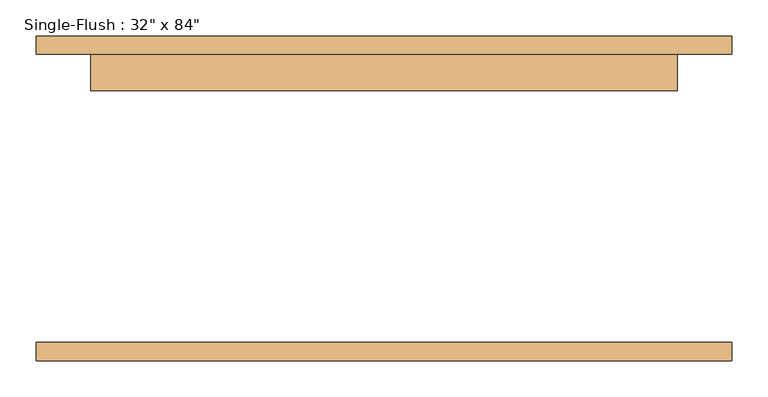
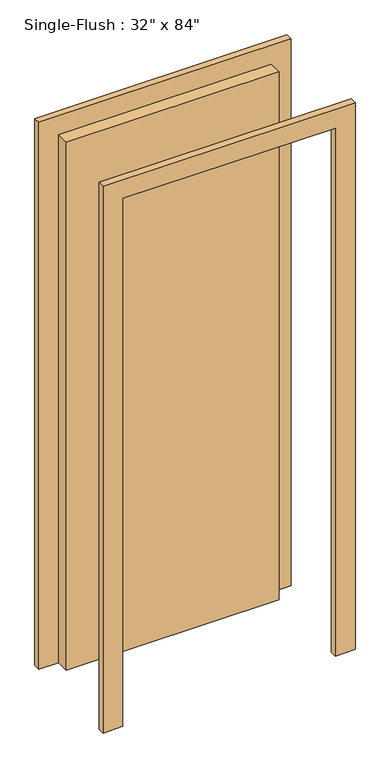
"""IFC4 building model written with IfcOpenShell, lengths in millimetres: door geometry."""

import ifcopenshell
import ifcopenshell.guid

model = None  # the IFC model being written
_history = None  # IfcOwnerHistory: only IFC2X3 demands one
_inside = {}  # id of a spatial element -> (the spatial element, [elements in it])
_under = {}  # id of a project, library or spatial element -> (it, [spatial elements below it])
_declared = {}  # id of a project -> (the project, [libraries it declares])
_typed = {}  # id of a type object -> (the type object, [elements of that type])
_made_of = {}  # id of a material, layer set ... -> (it, [elements and type objects made of it])


def new_model(schema):
    """Start an empty IFC model of exactly this schema.

    Asked for "IFC4X3", IfcOpenShell would pick the latest addendum, in which some entities
    have other attributes; the version numbers below select the first issue.
    IFC2X3 requires an IfcOwnerHistory on every rooted entity: one is made here for all.
    """
    global model, _history
    if schema == "IFC4X3":
        model = ifcopenshell.file(schema_version=(4, 3, 0, 0))
    else:
        model = ifcopenshell.file(schema=schema)
    _inside.clear()
    _under.clear()
    _declared.clear()
    _typed.clear()
    _made_of.clear()
    _history = None
    if model.schema == "IFC2X3":
        org = make("IfcOrganization", Name="unknown")
        user = make(
            "IfcPersonAndOrganization",
            ThePerson=make("IfcPerson", FamilyName="unknown"),
            TheOrganization=org,
        )
        app = make(
            "IfcApplication",
            ApplicationDeveloper=org,
            Version="unknown",
            ApplicationFullName="unknown",
            ApplicationIdentifier="unknown",
        )
        _history = make(
            "IfcOwnerHistory",
            OwningUser=user,
            OwningApplication=app,
            ChangeAction="ADDED",
            CreationDate=0,
        )
    return model


def make(cls, **values):
    """One entity of the class cls with the attributes given. An attribute that is None is left unset."""
    return model.create_entity(
        cls, **{name: value for name, value in values.items() if value is not None}
    )


def rooted(cls, **values):
    """An entity with a GlobalId (a new one), such as an element, a storey or a relation."""
    return make(cls, GlobalId=ifcopenshell.guid.new(), OwnerHistory=_history, **values)


def si_unit(unit_type, name, prefix=None):
    """IfcSIUnit, for example si_unit("LENGTHUNIT", "METRE", prefix="MILLI")."""
    return make("IfcSIUnit", UnitType=unit_type, Prefix=prefix, Name=name)


def assignment(units):
    """IfcUnitAssignment: the units of a project."""
    return None if units is None else make("IfcUnitAssignment", Units=units)


def point(xyz):
    """IfcCartesianPoint."""
    return None if xyz is None else make("IfcCartesianPoint", Coordinates=xyz)


def direction(xyz):
    """IfcDirection."""
    return None if xyz is None else make("IfcDirection", DirectionRatios=xyz)


def frame(location, z_axis=None, x_axis=None):
    """IfcAxis2Placement3D, a coordinate frame: its origin and axes. An axis left out is left unset."""
    return make(
        "IfcAxis2Placement3D",
        Location=point(location),
        Axis=direction(z_axis),
        RefDirection=direction(x_axis),
    )


def origin():
    """The frame at (0, 0, 0) with its axes left unset."""
    return frame((0.0, 0.0, 0.0))


def origin_with_axes():
    """The frame at (0, 0, 0) with the z axis (0, 0, 1) and the x axis (1, 0, 0) written out."""
    return frame((0.0, 0.0, 0.0), z_axis=(0.0, 0.0, 1.0), x_axis=(1.0, 0.0, 0.0))


def place(relative_to, where):
    """IfcLocalPlacement: puts the frame where relative to a parent placement (None: the world)."""
    return make(
        "IfcLocalPlacement", PlacementRelTo=relative_to, RelativePlacement=where
    )


def context(
    kind, dimensions, precision=None, world=None, true_north=None, identifier=None
):
    """IfcGeometricRepresentationContext, for example the 3D "Model" context."""
    return make(
        "IfcGeometricRepresentationContext",
        ContextIdentifier=identifier,
        ContextType=kind,
        CoordinateSpaceDimension=dimensions,
        Precision=precision,
        WorldCoordinateSystem=world,
        TrueNorth=true_north,
    )


def project(units=None, contexts=None):
    """IfcProject with its units and contexts."""
    return rooted(
        "IfcProject",
        Name="project",
        RepresentationContexts=contexts,
        UnitsInContext=assignment(units),
    )


def spatial(cls, under=None, at=None, **own):
    """A site, building, storey or space (cls), placed at a placement, below another one or the project."""
    s = rooted(cls, ObjectPlacement=at, **own)
    if under is not None:
        _under.setdefault(under.id(), (under, []))[1].append(s)
    return s


def polyline(points):
    """IfcPolyline through the points."""
    return make("IfcPolyline", Points=[point(p) for p in points])


def outline(outer, holes=None, kind="AREA"):
    """IfcArbitraryClosedProfileDef: a profile drawn as a closed curve; with holes, ...WithVoids."""
    if holes is None:
        return make("IfcArbitraryClosedProfileDef", ProfileType=kind, OuterCurve=outer)
    return make(
        "IfcArbitraryProfileDefWithVoids",
        ProfileType=kind,
        OuterCurve=outer,
        InnerCurves=holes,
    )


def extrude(swept, where, along, depth):
    """IfcExtrudedAreaSolid: the profile swept, set in the frame where, extruded along a direction by depth."""
    return make(
        "IfcExtrudedAreaSolid",
        SweptArea=swept,
        Position=where,
        ExtrudedDirection=direction(along),
        Depth=depth,
    )


def shape(context_of_items, identifier, shape_type, items):
    """IfcShapeRepresentation: the items that make up one representation, for example the "Body"."""
    return make(
        "IfcShapeRepresentation",
        ContextOfItems=context_of_items,
        RepresentationIdentifier=identifier,
        RepresentationType=shape_type,
        Items=items,
    )


def source(mapping_origin, context_of_items, identifier, shape_type, items):
    """IfcRepresentationMap: a shape defined once, which mapped items show again and again."""
    return make(
        "IfcRepresentationMap",
        MappingOrigin=mapping_origin,
        MappedRepresentation=shape(context_of_items, identifier, shape_type, items),
    )


def transform(
    local_origin,
    x_axis=None,
    y_axis=None,
    z_axis=None,
    scale=None,
    scale2=None,
    scale3=None,
    uniform=True,
):
    """IfcCartesianTransformationOperator3D, or its non-uniform kind. x_axis, y_axis, z_axis: its Axis1, 2, 3."""
    if uniform:
        return make(
            "IfcCartesianTransformationOperator3D",
            Axis1=direction(x_axis),
            Axis2=direction(y_axis),
            LocalOrigin=point(local_origin),
            Scale=scale,
            Axis3=direction(z_axis),
        )
    return make(
        "IfcCartesianTransformationOperator3DnonUniform",
        Axis1=direction(x_axis),
        Axis2=direction(y_axis),
        LocalOrigin=point(local_origin),
        Scale=scale,
        Axis3=direction(z_axis),
        Scale2=scale2,
        Scale3=scale3,
    )


def mapped(mapping_source, mapping_target):
    """IfcMappedItem: shows the shape of a source again, moved by a transform."""
    return make(
        "IfcMappedItem", MappingSource=mapping_source, MappingTarget=mapping_target
    )


def made_of(thing, what):
    """Note that an element or type object is made of a material, layer set ...; save() writes the relation."""
    if what is not None:
        _made_of.setdefault(what.id(), (what, []))[1].append(thing)
    return thing


def element(
    cls,
    number,
    at=None,
    inside=None,
    cuts=None,
    type_object=None,
    material=None,
    context=None,
    identifier="Body",
    shape_type=None,
    held_by="IfcProductDefinitionShape",
    body=None,
    shapes=None,
    **own,
):
    """One element of the class cls, such as IfcWall. Its Tag is "e" and its number.

    at: its placement. inside: the storey or other place that contains it. cuts: it is an
    opening in that element (IfcRelVoidsElement). A single representation is given by context,
    identifier, shape_type and body (its items); several are given by shapes. held_by: the class
    of the entity that holds the representations. save() writes the other relations.
    """
    e = rooted(cls, Tag="e%d" % number, ObjectPlacement=at, **own)
    if body is not None:
        shapes = [shape(context, identifier, shape_type, body)]
    if shapes is not None:
        e.Representation = make(held_by, Representations=shapes)
    if inside is not None:
        _inside.setdefault(inside.id(), (inside, []))[1].append(e)
    if cuts is not None:
        rooted(
            "IfcRelVoidsElement", RelatingBuildingElement=cuts, RelatedOpeningElement=e
        )
    if type_object is not None:
        _typed.setdefault(type_object.id(), (type_object, []))[1].append(e)
    return made_of(e, material)


def aggregate(whole, parts):
    """IfcRelAggregates: a whole, such as a stair, and the parts it consists of."""
    return rooted("IfcRelAggregates", RelatingObject=whole, RelatedObjects=parts)


def save(model, path):
    """Write the relations noted so far, then the file.

    IfcRelAggregates (storeys below a building ...), IfcRelContainedInSpatialStructure (elements
    in a storey), IfcRelDefinesByType, IfcRelAssociatesMaterial and IfcRelDeclares: one each for
    every whole, place, type object, material and project.
    """
    for whole, parts in _under.values():
        aggregate(whole, parts)
    for where, things in _inside.values():
        rooted(
            "IfcRelContainedInSpatialStructure",
            RelatedElements=things,
            RelatingStructure=where,
        )
    for kind, things in _typed.values():
        rooted("IfcRelDefinesByType", RelatedObjects=things, RelatingType=kind)
    for what, things in _made_of.values():
        rooted("IfcRelAssociatesMaterial", RelatedObjects=things, RelatingMaterial=what)
    for by, libraries in _declared.values():
        rooted("IfcRelDeclares", RelatingContext=by, RelatedDefinitions=libraries)
    model.write(path)


def door_42f3df30(model_context):
    return source(origin(), model_context, "Body", "SweptSolid", [
        extrude(outline(polyline([(2209.8, -482.6), (0.0, -482.6), (0.0, -406.4), (2133.6, -406.4), (2133.6, 406.4), (0.0, 406.4), (0.0, 482.6), (2209.8, 482.6), (2209.8, -482.6)])), frame((0.0, 200.0, 0.0), z_axis=(0.0, 1.0, 0.0), x_axis=(0.0, 0.0, 1.0)), (0.0, 0.0, 1.0), 25.4),
        extrude(outline(polyline([(2209.8, 482.6), (2209.8, -482.6), (0.0, -482.6), (0.0, -406.4), (2133.6, -406.4), (2133.6, 406.4), (0.0, 406.4), (0.0, 482.6), (2209.8, 482.6)])), frame((0.0, -225.4, 0.0), z_axis=(0.0, 1.0, 0.0), x_axis=(0.0, 0.0, 1.0)), (0.0, 0.0, 1.0), 25.4),
        extrude(outline(polyline([(406.4, 149.2), (-406.4, 149.2), (-406.4, 200.0), (406.4, 200.0), (406.4, 149.2)])), origin_with_axes(), (0.0, 0.0, 1.0), 2133.6),
    ])


if __name__ == "__main__":
    model = new_model("IFC4")
    model_context = context("Model", 3, world=origin())
    ifc_project = project(units=[si_unit("LENGTHUNIT", "METRE", prefix="MILLI")], contexts=[model_context])
    site = spatial("IfcSite", under=ifc_project)
    building = spatial("IfcBuilding", under=site)
    placement = place(None, origin())
    door_shape = door_42f3df30(model_context)
    element("IfcDoor", 1, ObjectType="Single-Flush : 32\" x 84\"", at=placement, inside=building, context=model_context, shape_type="MappedRepresentation", body=[
        mapped(door_shape, transform((0.0, 0.0, 0.0), x_axis=(1.0, 0.0, 0.0), y_axis=(0.0, 1.0, 0.0), z_axis=(0.0, 0.0, 1.0))),
    ])
    save(model, "model.ifc")
